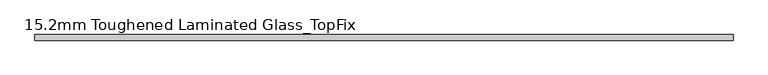
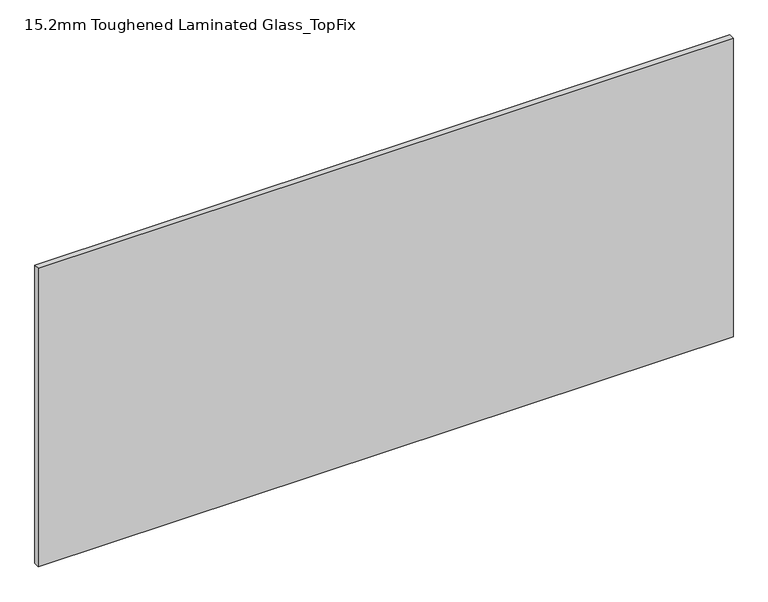
"""IFC4 building model written with IfcOpenShell, lengths in millimetres: plate geometry, 15.2mm Toughened Laminated Glass_TopFix."""

from ifc_helpers import new_model, si_unit, origin, origin_with_axes, place, context, project, spatial, polyline, outline, extrude, source, transform, mapped, element, save


def plate_15_2mm_toughened_laminated_glass_topfix_e9e1a426(model_context):
    return source(origin(), model_context, "Body", "SweptSolid", [
        extrude(outline(polyline([(945.0000001, 7.6), (945.0000001, -7.6), (-945.0000001, -7.6), (-945.0000001, 7.6), (945.0000001, 7.6)])), origin_with_axes(), (0.0, 0.0, 1.0), 858.0),
    ])


if __name__ == "__main__":
    model = new_model("IFC4")
    model_context = context("Model", 3, world=origin())
    ifc_project = project(units=[si_unit("LENGTHUNIT", "METRE", prefix="MILLI")], contexts=[model_context])
    site = spatial("IfcSite", under=ifc_project)
    building = spatial("IfcBuilding", under=site)
    placement = place(None, origin())
    plate_15_2mm_toughened_laminated_glass_topfix_shape = plate_15_2mm_toughened_laminated_glass_topfix_e9e1a426(model_context)
    element("IfcPlate", 1, ObjectType="15.2mm Toughened Laminated Glass_TopFix", at=placement, inside=building, context=model_context, shape_type="MappedRepresentation", body=[
        mapped(plate_15_2mm_toughened_laminated_glass_topfix_shape, transform((0.0, 0.0, 0.0), x_axis=(1.0, 0.0, 0.0), y_axis=(0.0, 1.0, 0.0), z_axis=(0.0, 0.0, 1.0))),
    ])
    save(model, "model.ifc")
